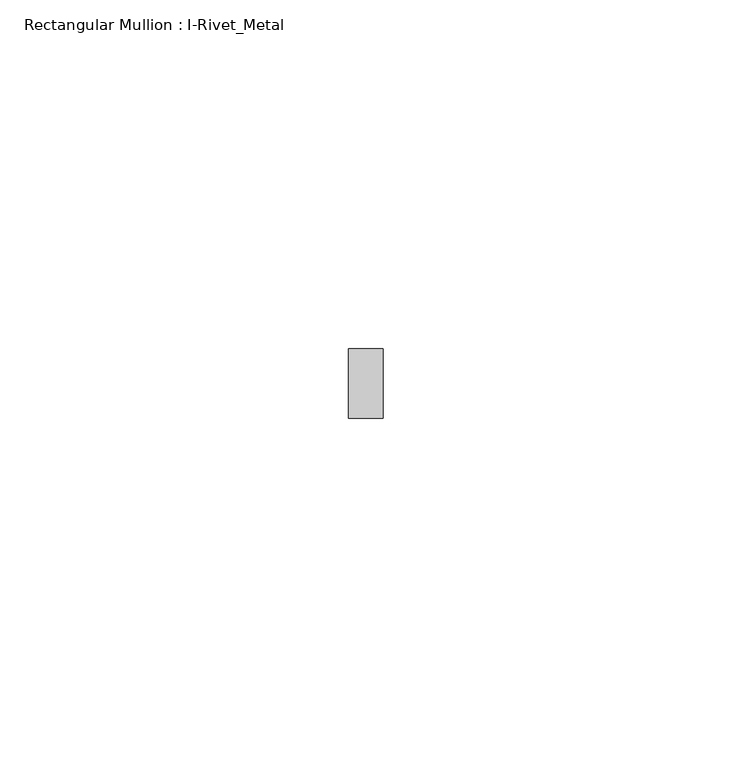
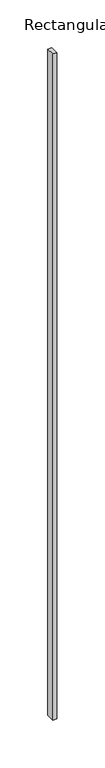
"""IFC4 building model written with IfcOpenShell, lengths in millimetres: member geometry, Rectangular Mullion : I-Rivet_Metal."""

from ifc_helpers import new_model, si_unit, frame, origin, place, context, project, spatial, polyline, outline, extrude, source, transform, mapped, element, save


def rectangular_mullion_i_rivet_metal_725aaf4e(model_context):
    return source(origin(), model_context, "Body", "SweptSolid", [
        extrude(outline(polyline([(-5.0, 70.0), (-5.0, 80.0), (0.0, 80.0), (0.0, 70.0), (-5.0, 70.0)])), frame((0.0, 0.0, -850.0), z_axis=(0.0, 0.0, 1.0), x_axis=(1.0, 0.0, 0.0)), (0.0, 0.0, 1.0), 850.0),
    ])


if __name__ == "__main__":
    model = new_model("IFC4")
    model_context = context("Model", 3, world=origin())
    ifc_project = project(units=[si_unit("LENGTHUNIT", "METRE", prefix="MILLI")], contexts=[model_context])
    site = spatial("IfcSite", under=ifc_project)
    building = spatial("IfcBuilding", under=site)
    placement = place(None, origin())
    rectangular_mullion_i_rivet_metal_shape = rectangular_mullion_i_rivet_metal_725aaf4e(model_context)
    element("IfcMember", 1, ObjectType="Rectangular Mullion : I-Rivet_Metal", at=placement, inside=building, context=model_context, shape_type="MappedRepresentation", body=[
        mapped(rectangular_mullion_i_rivet_metal_shape, transform((0.0, 0.0, 0.0), x_axis=(1.0, 0.0, 0.0), y_axis=(0.0, 1.0, 0.0), z_axis=(0.0, 0.0, 1.0))),
    ])
    save(model, "model.ifc")
